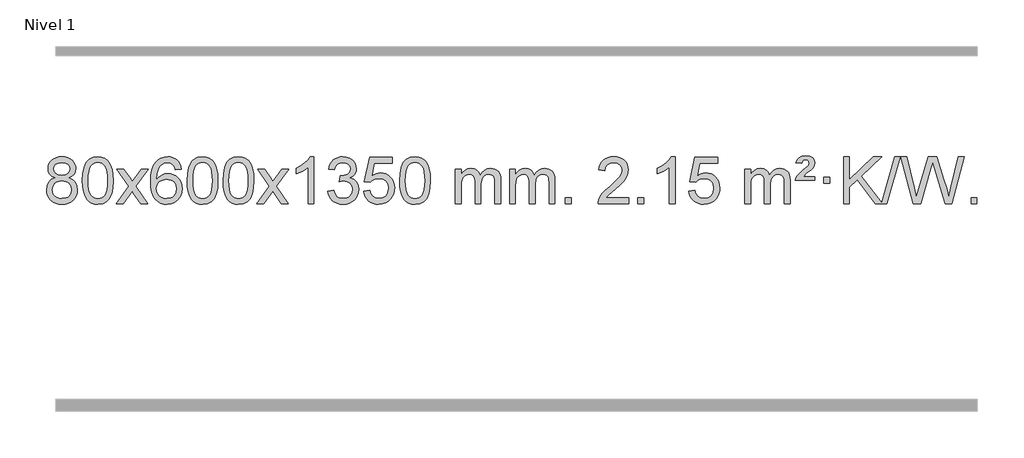
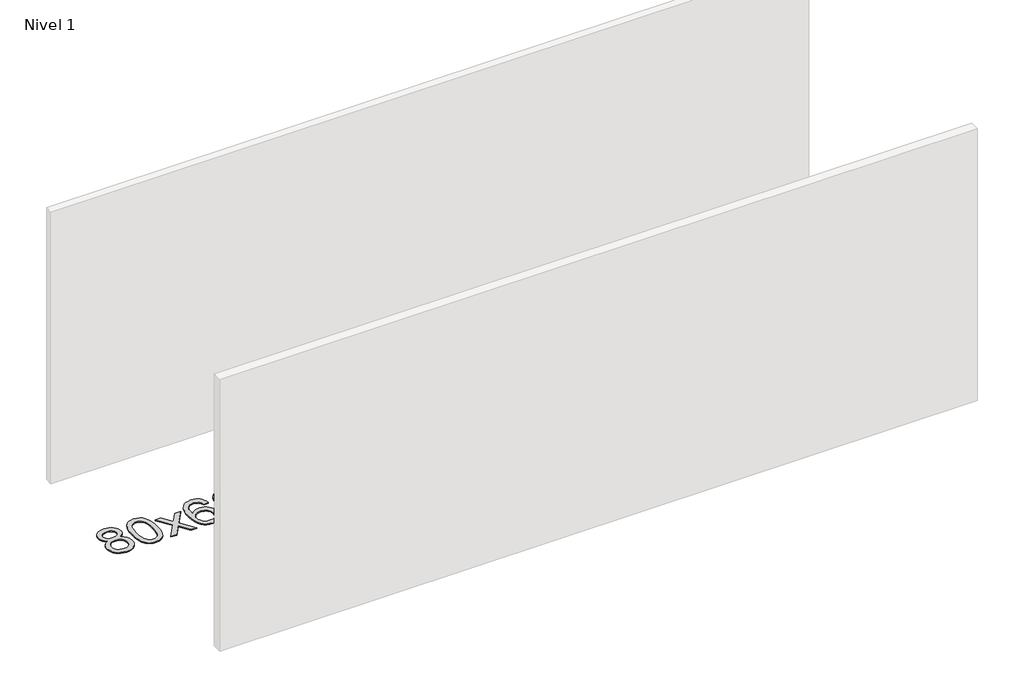
# One storey, part 5 of 8: 1 proxy.
"""IFC4 building model written with IfcOpenShell, lengths in millimetres."""

from ifc_helpers import new_model, si_unit, origin, origin_with_axes, place, context, project, spatial, polyline, outline, extrude, element, save

model = new_model("IFC4")

# Units and contexts
model_context = context("Model", 3, world=origin())
ifc_project = project(units=[si_unit("LENGTHUNIT", "METRE", prefix="MILLI")], contexts=[model_context])

# Site, building, storey
site = spatial("IfcSite", under=ifc_project)
building = spatial("IfcBuilding", under=site)
storey = spatial("IfcBuildingStorey", under=building, Name="Nivel 1", Elevation=0.0)

# Proxy
placement = place(None, origin())
element("IfcBuildingElementProxy", 1, Name="Texto de modelo 1", ObjectType="Texto de modelo 1", at=placement, inside=storey, context=model_context, shape_type="SweptSolid", body=[
    extrude(outline(polyline([(-236.8094438, -6174.2616447), (-263.7016177, -6161.0178929), (-282.573964, -6143.0652515), (-293.7207885, -6120.7716026), (-297.4363966, -6094.5048281), (-295.4130456, -6074.0199324), (-289.3429927, -6055.2395565), (-279.2262378, -6038.1637006), (-265.062781, -6022.7923645), (-247.533204, -6010.088173), (-227.3180883, -6001.0137504), (-204.4174341, -5995.5690969), (-178.8312414, -5993.7542124), (-153.1224213, -5995.6120165), (-130.0500888, -6001.1854287), (-109.614244, -6010.4744491), (-91.8148868, -6023.4790776), (-77.3939126, -6039.1508506), (-67.0932167, -6056.4413044), (-60.9127992, -6075.3504389), (-58.85266, -6095.8782543), (-62.5192172, -6121.2989001), (-73.5188889, -6143.2124043), (-91.9743023, -6161.0546811), (-118.0080848, -6174.2616447), (-87.0937345, -6190.1909351), (-64.5916191, -6213.6495436), (-50.8696207, -6243.5092989), (-46.2956212, -6278.6420295), (-48.5642269, -6303.6947933), (-55.3700438, -6326.6628926), (-66.713072, -6347.5463272), (-82.5933114, -6366.3450971), (-102.1768963, -6381.88198), (-124.6299607, -6392.9797536), (-149.9525047, -6399.6384177), (-178.1445283, -6401.8579724), (-206.3365519, -6399.6292206), (-231.6590959, -6392.9429654), (-254.1121603, -6381.7992066), (-273.6957452, -6366.1979443), (-289.5759846, -6347.26735), (-300.9190128, -6326.135595), (-307.7248297, -6302.8026795), (-309.9934354, -6277.2686033), (-305.2354949, -6240.7747094), (-290.9616735, -6210.7555386), (-267.9077351, -6188.2411605), (-236.8094438, -6174.2616447)]), holes=[polyline([(-247.2082415, -6095.9763561), (-242.7568694, -6117.902123), (-229.402753, -6135.413306), (-207.5382997, -6146.8912243), (-177.5559171, -6150.717197), (-148.2725103, -6146.9157497), (-126.7391508, -6135.5114079), (-113.495399, -6118.5888361), (-109.0808151, -6098.232699), (-113.6425518, -6077.1040098), (-127.327762, -6059.629615), (-149.1554271, -6047.8941794), (-178.1445283, -6043.9823675), (-207.3175705, -6047.8083402), (-229.1084474, -6059.2862585), (-242.683293, -6076.1107284), (-247.2082415, -6095.9763561)]), polyline([(-259.7652803, -6275.5027698), (-257.6683529, -6294.7184726), (-251.3775708, -6313.3210389), (-239.7647625, -6329.5446349), (-221.7017565, -6341.623427), (-200.0702952, -6349.1282197), (-177.7521208, -6351.6298173), (-143.5636208, -6346.3691048), (-129.6699441, -6339.7932141), (-117.909983, -6330.5869672), (-101.870328, -6306.6869002), (-96.5237763, -6277.0723996), (-102.0420062, -6246.9551269), (-118.596696, -6222.5277625), (-130.6754882, -6213.0854579), (-144.838945, -6206.3409547), (-179.4198526, -6200.9453521), (-213.130106, -6206.2673783), (-226.8674329, -6212.919911), (-238.5262264, -6222.2334569), (-254.4555168, -6246.1948375), (-259.7652803, -6275.5027698)])]), origin_with_axes(), (0.0, 0.0, 1.0), 10.0),
    extrude(outline(polyline([(-2.3459855, -6197.9041943), (1.3450971, -6133.5861588), (12.4183452, -6082.2911459), (30.763394, -6043.2343407), (42.621457, -6028.0009605), (56.269879, -6015.6309284), (71.7546453, -6006.0598651), (89.1217412, -5999.2233914), (129.5029215, -5993.7542124), (160.4540601, -5996.991574), (188.167837, -6006.7036586), (211.3444027, -6022.5103217), (228.6839074, -6044.0314184), (241.7805065, -6071.0830078), (252.2283551, -6103.4811488), (259.0709602, -6144.6226186), (261.3518286, -6197.9041943), (257.6975341, -6261.8543477), (246.7346507, -6313.0267333), (228.4999664, -6352.1203266), (216.6694946, -6367.3996922), (203.0302696, -6379.8341036), (187.5271092, -6389.4695462), (170.1048311, -6396.3520052), (129.5029215, -6401.8579724), (101.8381955, -6399.4667394), (77.3127291, -6392.2930405), (55.9265225, -6380.3368757), (37.6795755, -6363.5982449), (20.1683926, -6333.3399508), (7.6604047, -6295.6381776), (0.155612, -6250.4929255), (-2.3459855, -6197.9041943)]), holes=[polyline([(47.8821695, -6197.8060924), (49.3536975, -6241.4706195), (53.7682815, -6276.8148822), (61.1259214, -6303.8388804), (71.4266172, -6322.5426142), (83.8855541, -6335.2682656), (97.7179171, -6344.3580165), (112.9237063, -6349.8118671), (129.5029215, -6351.6298173), (146.0821368, -6349.8057357), (161.2879259, -6344.3334911), (175.1202889, -6335.2130833), (187.5792258, -6322.4445124), (197.8799217, -6303.7101217), (205.2375616, -6276.6922549), (209.6521455, -6241.3909118), (211.1236735, -6197.8060924), (209.7011965, -6155.2973278), (205.4337653, -6120.5753989), (198.3213801, -6093.6403055), (188.3640408, -6074.4920476), (176.1135703, -6061.1440625), (162.1217918, -6051.6097875), (146.3887051, -6045.8892225), (128.9143103, -6043.9823675), (112.4209342, -6045.6623619), (97.4726625, -6050.7023452), (84.0694951, -6059.1023175), (72.2114321, -6070.8622786), (61.5673797, -6091.708925), (53.9644852, -6119.8151094), (49.4027484, -6155.1808319), (47.8821695, -6197.8060924)])]), origin_with_axes(), (0.0, 0.0, 1.0), 10.0),
    extrude(outline(polyline([(286.4659061, -6395.579453), (393.7893469, -6247.2494325), (292.7444255, -6100.4890419), (353.1751746, -6100.4890419), (401.9318017, -6171.122385), (424.6914345, -6204.4770192), (444.4099094, -6177.2047007), (499.9355652, -6100.4890419), (560.3663143, -6100.4890419), (454.2200959, -6247.2494325), (556.4422397, -6395.579453), (496.0114906, -6395.579453), (434.501621, -6306.4048574), (423.2199065, -6290.1199477), (346.8966552, -6395.579453), (286.4659061, -6395.579453)])), origin_with_axes(), (0.0, 0.0, 1.0), 10.0),
    extrude(outline(polyline([(845.2541313, -6100.4890419), (795.0259763, -6106.7675613), (786.9325724, -6081.874213), (775.9942144, -6064.8780648), (753.2100561, -6049.2062918), (725.6679574, -6043.9823675), (702.3197135, -6047.0235253), (680.3448956, -6056.1469988), (661.4725493, -6075.3627017), (646.0582937, -6101.8134171), (635.6472332, -6139.227016), (631.7844723, -6191.3313693), (651.9321429, -6167.8237098), (676.0774645, -6151.2567573), (702.8715365, -6141.434308), (730.9654582, -6138.1601582), (755.0985171, -6140.398107), (777.3676405, -6147.1119534), (797.7728285, -6158.3016975), (816.3140811, -6173.9673391), (831.7222053, -6193.1769106), (842.7280083, -6214.9984443), (849.3314901, -6239.4319401), (851.5326507, -6266.4773982), (847.3878469, -6302.4439945), (834.9534355, -6335.786366), (815.259486, -6364.0642287), (789.3360681, -6384.8372987), (758.3604041, -6397.602804), (723.5097164, -6401.8579724), (693.5671877, -6399.0375437), (666.5247954, -6390.5762579), (642.3825394, -6376.4741147), (621.1404199, -6356.7311143), (603.822375, -6330.5133908), (591.4523429, -6296.9870783), (584.0303236, -6256.1521768), (581.5563172, -6208.0086864), (584.3031694, -6154.0342663), (592.5437261, -6107.9693092), (606.2779873, -6069.8138149), (625.5059529, -6039.5677835), (646.3464679, -6019.5243462), (670.5101836, -6005.2076052), (697.9971, -5996.6175606), (728.8072171, -5993.7542124), (751.9408633, -5995.5261773), (772.8794802, -6000.8420722), (791.6230678, -6009.7018969), (808.1716262, -6022.1056515), (822.0775656, -6037.6364031), (832.8932963, -6055.8772186), (840.6188182, -6076.8280983), (845.2541313, -6100.4890419)]), holes=[polyline([(631.7844723, -6265.6925832), (634.69074, -6287.9494439), (643.4095433, -6309.2007605), (656.9476007, -6327.472233), (674.3116309, -6340.7895612), (695.2686419, -6348.9197533), (719.5856418, -6351.6298173), (752.7318096, -6346.0134855), (766.646946, -6338.9930708), (778.7901175, -6329.1644901), (788.640158, -6316.9262824), (795.6759011, -6302.6769865), (801.3044957, -6268.1451299), (795.7494775, -6234.9989621), (788.8057049, -6221.3781312), (779.0844231, -6209.725469), (766.9044634, -6200.3904634), (752.5846568, -6193.7226022), (717.5255026, -6188.3883133), (684.4283858, -6193.7226022), (656.751397, -6209.725469), (645.8283674, -6221.2248471), (638.0262035, -6234.3858254), (633.3449051, -6249.2084042), (631.7844723, -6265.6925832)])]), origin_with_axes(), (0.0, 0.0, 1.0), 10.0),
    extrude(outline(polyline([(895.4822864, -6197.9041943), (899.1733691, -6133.5861588), (910.2466172, -6082.2911459), (928.591666, -6043.2343407), (940.449729, -6028.0009605), (954.098151, -6015.6309284), (969.5829173, -6006.0598651), (986.9500131, -5999.2233914), (1027.3311935, -5993.7542124), (1058.282332, -5996.991574), (1085.996109, -6006.7036586), (1109.1726747, -6022.5103217), (1126.5121794, -6044.0314184), (1139.6087784, -6071.0830078), (1150.0566271, -6103.4811488), (1156.8992322, -6144.6226186), (1159.1801006, -6197.9041943), (1155.5258061, -6261.8543477), (1144.5629226, -6313.0267333), (1126.3282384, -6352.1203266), (1114.4977666, -6367.3996922), (1100.8585416, -6379.8341036), (1085.3553812, -6389.4695462), (1067.933103, -6396.3520052), (1027.3311935, -6401.8579724), (999.6664674, -6399.4667394), (975.1410011, -6392.2930405), (953.7547945, -6380.3368757), (935.5078475, -6363.5982449), (917.9966645, -6333.3399508), (905.4886767, -6295.6381776), (897.983884, -6250.4929255), (895.4822864, -6197.9041943)]), holes=[polyline([(945.7104415, -6197.8060924), (947.1819695, -6241.4706195), (951.5965534, -6276.8148822), (958.9541933, -6303.8388804), (969.2548892, -6322.5426142), (981.7138261, -6335.2682656), (995.5461891, -6344.3580165), (1010.7519782, -6349.8118671), (1027.3311935, -6351.6298173), (1043.9104087, -6349.8057357), (1059.1161979, -6344.3334911), (1072.9485609, -6335.2130833), (1085.4074978, -6322.4445124), (1095.7081937, -6303.7101217), (1103.0658336, -6276.6922549), (1107.4804175, -6241.3909118), (1108.9519455, -6197.8060924), (1107.5294684, -6155.2973278), (1103.2620373, -6120.5753989), (1096.1496521, -6093.6403055), (1086.1923127, -6074.4920476), (1073.9418423, -6061.1440625), (1059.9500637, -6051.6097875), (1044.2169771, -6045.8892225), (1026.7425823, -6043.9823675), (1010.2492062, -6045.6623619), (995.3009344, -6050.7023452), (981.8977671, -6059.1023175), (970.0397041, -6070.8622786), (959.3956517, -6091.708925), (951.7927571, -6119.8151094), (947.2310204, -6155.1808319), (945.7104415, -6197.8060924)])]), origin_with_axes(), (0.0, 0.0, 1.0), 10.0),
    extrude(outline(polyline([(1203.1297362, -6197.9041943), (1206.8208189, -6133.5861588), (1217.894067, -6082.2911459), (1236.2391158, -6043.2343407), (1248.0971788, -6028.0009605), (1261.7456008, -6015.6309284), (1277.2303671, -6006.0598651), (1294.597463, -5999.2233914), (1334.9786433, -5993.7542124), (1365.9297818, -5996.991574), (1393.6435588, -6006.7036586), (1416.8201245, -6022.5103217), (1434.1596292, -6044.0314184), (1447.2562282, -6071.0830078), (1457.7040769, -6103.4811488), (1464.546682, -6144.6226186), (1466.8275504, -6197.9041943), (1463.1732559, -6261.8543477), (1452.2103725, -6313.0267333), (1433.9756882, -6352.1203266), (1422.1452164, -6367.3996922), (1408.5059914, -6379.8341036), (1393.002831, -6389.4695462), (1375.5805529, -6396.3520052), (1334.9786433, -6401.8579724), (1307.3139173, -6399.4667394), (1282.7884509, -6392.2930405), (1261.4022443, -6380.3368757), (1243.1552973, -6363.5982449), (1225.6441144, -6333.3399508), (1213.1361265, -6295.6381776), (1205.6313338, -6250.4929255), (1203.1297362, -6197.9041943)]), holes=[polyline([(1253.3578913, -6197.8060924), (1254.8294193, -6241.4706195), (1259.2440032, -6276.8148822), (1266.6016432, -6303.8388804), (1276.902339, -6322.5426142), (1289.3612759, -6335.2682656), (1303.1936389, -6344.3580165), (1318.3994281, -6349.8118671), (1334.9786433, -6351.6298173), (1351.5578586, -6349.8057357), (1366.7636477, -6344.3334911), (1380.5960107, -6335.2130833), (1393.0549476, -6322.4445124), (1403.3556435, -6303.7101217), (1410.7132834, -6276.6922549), (1415.1278673, -6241.3909118), (1416.5993953, -6197.8060924), (1415.1769183, -6155.2973278), (1410.9094871, -6120.5753989), (1403.7971019, -6093.6403055), (1393.8397625, -6074.4920476), (1381.5892921, -6061.1440625), (1367.5975136, -6051.6097875), (1351.8644269, -6045.8892225), (1334.3900321, -6043.9823675), (1317.896656, -6045.6623619), (1302.9483843, -6050.7023452), (1289.5452169, -6059.1023175), (1277.6871539, -6070.8622786), (1267.0431015, -6091.708925), (1259.440207, -6119.8151094), (1254.8784702, -6155.1808319), (1253.3578913, -6197.8060924)])]), origin_with_axes(), (0.0, 0.0, 1.0), 10.0),
    extrude(outline(polyline([(1491.9416279, -6395.579453), (1599.2650687, -6247.2494325), (1498.2201473, -6100.4890419), (1558.6508964, -6100.4890419), (1607.4075235, -6171.122385), (1630.1671563, -6204.4770192), (1649.8856312, -6177.2047007), (1705.411287, -6100.4890419), (1765.8420361, -6100.4890419), (1659.6958177, -6247.2494325), (1761.9179615, -6395.579453), (1701.4872124, -6395.579453), (1639.9773428, -6306.4048574), (1628.6956283, -6290.1199477), (1552.372377, -6395.579453), (1491.9416279, -6395.579453)])), origin_with_axes(), (0.0, 0.0, 1.0), 10.0),
    extrude(outline(polyline([(1981.6661399, -6395.579453), (1931.4379848, -6395.579453), (1931.4379848, -6082.4382987), (1910.4687111, -6099.3976587), (1883.8585801, -6116.3324932), (1830.9816747, -6141.6918254), (1830.9816747, -6094.2105225), (1870.4308873, -6072.7507395), (1904.6071247, -6047.219729), (1931.5483494, -6020.0700378), (1949.2925243, -5993.7542124), (1981.6661399, -5993.7542124), (1981.6661399, -6395.579453)])), origin_with_axes(), (0.0, 0.0, 1.0), 10.0),
    extrude(outline(polyline([(2100.9580082, -6288.8446235), (2151.1861633, -6282.5661041), (2162.4310896, -6314.1303793), (2178.8999403, -6335.4430095), (2201.4020556, -6347.5831154), (2230.7467761, -6351.6298173), (2265.1805309, -6346.0625364), (2279.4543523, -6339.1034354), (2291.7661364, -6329.3606939), (2308.7622846, -6304.4428201), (2314.4276673, -6274.2274455), (2308.8113355, -6245.5449126), (2291.9623401, -6222.2825078), (2266.4558551, -6206.8682522), (2234.8670545, -6201.730167), (2199.6484848, -6207.2238715), (2205.2402911, -6156.9957164), (2213.2846441, -6157.5843276), (2243.3773913, -6153.979084), (2270.2818279, -6143.1633534), (2281.3550759, -6134.9841103), (2289.2645388, -6124.8673555), (2294.0102165, -6112.8130888), (2295.5921091, -6098.8213102), (2291.0058469, -6077.1285352), (2277.2470603, -6059.5315131), (2256.2532611, -6047.8696539), (2229.9619612, -6043.9823675), (2203.6216103, -6047.9064421), (2182.0882509, -6059.6786659), (2166.367427, -6079.299039), (2157.4646827, -6106.7675613), (2107.2365276, -6100.4890419), (2113.1900846, -6076.5092672), (2122.0253838, -6055.3867093), (2133.7424253, -6037.1213683), (2148.3412092, -6021.713244), (2165.3618828, -6009.4811677), (2184.3445938, -6000.7439703), (2205.289342, -5995.5016519), (2228.1961276, -5993.7542124), (2259.7726655, -5997.2000404), (2288.7740295, -6007.5375245), (2313.2259194, -6023.8469596), (2331.1540353, -6045.2086408), (2342.153707, -6069.8199463), (2345.8202642, -6095.8782543), (2342.337648, -6120.1584659), (2331.8897993, -6142.1823347), (2314.623871, -6160.9443165), (2290.6870159, -6175.4388671), (2322.1286637, -6188.1430586), (2345.4278567, -6209.77452), (2359.848831, -6239.1560286), (2364.6558224, -6275.1103623), (2362.2523267, -6300.5923218), (2355.0418395, -6324.0631931), (2343.024361, -6345.5229762), (2326.1998911, -6364.971671), (2305.7027326, -6381.1094278), (2282.6671884, -6392.636397), (2257.0932583, -6399.5525785), (2228.9809425, -6401.8579724), (2203.5725594, -6399.8898037), (2180.4205192, -6393.9852977), (2159.5248218, -6384.1444543), (2140.8854674, -6370.3672736), (2125.256614, -6353.4630959), (2113.3924196, -6334.2412617), (2105.2928844, -6312.7017708), (2100.9580082, -6288.8446235)])), origin_with_axes(), (0.0, 0.0, 1.0), 10.0),
    extrude(outline(polyline([(2408.605458, -6288.8446235), (2458.8336131, -6282.5661041), (2468.0551885, -6312.7201649), (2484.1438944, -6334.3148381), (2507.0261545, -6347.3010725), (2536.6283924, -6351.6298173), (2555.7582561, -6350.1245668), (2572.631777, -6345.6088153), (2587.2489549, -6338.0825628), (2599.6097899, -6327.5458094), (2609.4383706, -6314.519721), (2616.4587853, -6299.5254641), (2622.0751171, -6263.6324441), (2616.8144046, -6229.8363514), (2610.2385139, -6215.9181493), (2601.032267, -6203.9865099), (2589.165007, -6194.4154467), (2574.606077, -6187.5789729), (2537.4132073, -6182.1097939), (2513.0471565, -6184.2925604), (2493.3164188, -6190.8408599), (2477.5588067, -6200.8717757), (2465.1121325, -6213.5023908), (2414.8839774, -6207.2238715), (2458.8336131, -6000.0327318), (2653.467714, -6000.0327318), (2653.467714, -6050.2608869), (2499.4477854, -6050.2608869), (2477.9634769, -6160.919791), (2495.6892577, -6148.2155994), (2513.8442341, -6139.1411769), (2532.4284063, -6133.6965234), (2551.441774, -6131.8816388), (2575.902861, -6134.1318504), (2598.3712539, -6140.882485), (2618.8469526, -6152.1335427), (2637.3299572, -6167.8850234), (2652.6307825, -6187.1743027), (2663.5599434, -6209.038756), (2670.11744, -6233.4783832), (2672.3032722, -6260.4931844), (2670.3351035, -6286.5147042), (2664.4305975, -6310.7213394), (2654.5897541, -6333.1130902), (2640.8125734, -6353.6899565), (2619.9414015, -6374.7634634), (2595.5876135, -6389.8159684), (2567.7512092, -6398.8474714), (2536.4321886, -6401.8579724), (2510.5118364, -6399.9235262), (2487.0992131, -6394.1201877), (2466.1943187, -6384.447957), (2447.7971533, -6370.9068338), (2432.4901966, -6354.1712688), (2420.8559285, -6334.915712), (2412.894349, -6313.1401636), (2408.605458, -6288.8446235)])), origin_with_axes(), (0.0, 0.0, 1.0), 10.0),
    extrude(outline(polyline([(2716.2529079, -6197.9041943), (2719.9439906, -6133.5861588), (2731.0172386, -6082.2911459), (2749.3622874, -6043.2343407), (2761.2203504, -6028.0009605), (2774.8687724, -6015.6309284), (2790.3535388, -6006.0598651), (2807.7206346, -5999.2233914), (2848.1018149, -5993.7542124), (2879.0529535, -5996.991574), (2906.7667304, -6006.7036586), (2929.9432961, -6022.5103217), (2947.2828008, -6044.0314184), (2960.3793999, -6071.0830078), (2970.8272485, -6103.4811488), (2977.6698537, -6144.6226186), (2979.950722, -6197.9041943), (2976.2964275, -6261.8543477), (2965.3335441, -6313.0267333), (2947.0988599, -6352.1203266), (2935.268388, -6367.3996922), (2921.6291631, -6379.8341036), (2906.1260026, -6389.4695462), (2888.7037245, -6396.3520052), (2848.1018149, -6401.8579724), (2820.4370889, -6399.4667394), (2795.9116226, -6392.2930405), (2774.5254159, -6380.3368757), (2756.278469, -6363.5982449), (2738.767286, -6333.3399508), (2726.2592981, -6295.6381776), (2718.7545054, -6250.4929255), (2716.2529079, -6197.9041943)]), holes=[polyline([(2766.481063, -6197.8060924), (2767.9525909, -6241.4706195), (2772.3671749, -6276.8148822), (2779.7248148, -6303.8388804), (2790.0255106, -6322.5426142), (2802.4844475, -6335.2682656), (2816.3168106, -6344.3580165), (2831.5225997, -6349.8118671), (2848.1018149, -6351.6298173), (2864.6810302, -6349.8057357), (2879.8868193, -6344.3334911), (2893.7191824, -6335.2130833), (2906.1781193, -6322.4445124), (2916.4788151, -6303.7101217), (2923.836455, -6276.6922549), (2928.251039, -6241.3909118), (2929.7225669, -6197.8060924), (2928.3000899, -6155.2973278), (2924.0326588, -6120.5753989), (2916.9202735, -6093.6403055), (2906.9629342, -6074.4920476), (2894.7124637, -6061.1440625), (2880.7206852, -6051.6097875), (2864.9875985, -6045.8892225), (2847.5132038, -6043.9823675), (2831.0198276, -6045.6623619), (2816.0715559, -6050.7023452), (2802.6683885, -6059.1023175), (2790.8103256, -6070.8622786), (2780.1662732, -6091.708925), (2772.5633786, -6119.8151094), (2768.0016419, -6155.1808319), (2766.481063, -6197.8060924)])]), origin_with_axes(), (0.0, 0.0, 1.0), 10.0),
    extrude(outline(polyline([(3193.4203811, -6395.579453), (3193.4203811, -6100.4890419), (3243.6485362, -6100.4890419), (3243.6485362, -6149.0494653), (3258.7562234, -6126.7435537), (3278.1803928, -6109.2691589), (3301.2588566, -6097.9751816), (3327.3294273, -6094.2105225), (3355.2639335, -6098.048758), (3377.6556843, -6109.5634645), (3394.3820523, -6127.9943524), (3405.3204103, -6152.5811324), (3423.6286709, -6127.0439906), (3444.5121055, -6108.803175), (3467.9707141, -6097.8586857), (3494.0044966, -6094.2105225), (3514.1123133, -6095.7280358), (3531.7614521, -6100.2805755), (3546.9519128, -6107.8681416), (3559.6836955, -6118.4907342), (3569.7483337, -6132.2709806), (3576.9373611, -6149.3315082), (3581.2507775, -6169.6723168), (3582.6885829, -6193.2934066), (3582.6885829, -6395.579453), (3532.4604278, -6395.579453), (3532.4604278, -6214.875817), (3531.2954682, -6189.8230531), (3527.8005892, -6172.9372695), (3521.2522897, -6161.3735121), (3510.9270684, -6152.2868268), (3497.6465284, -6146.4007149), (3482.2322728, -6144.4386776), (3455.0212679, -6149.4663982), (3432.8379835, -6164.54956), (3424.2326105, -6176.1194488), (3418.0859155, -6190.7182326), (3413.1685595, -6229.0024856), (3413.1685595, -6395.579453), (3362.9404045, -6395.579453), (3362.9404045, -6209.2840106), (3360.0341367, -6180.8835206), (3351.3153334, -6160.6254854), (3335.9746542, -6148.4853796), (3313.2027587, -6144.4386776), (3293.8521658, -6147.1364789), (3276.0221517, -6155.2298828), (3261.3068719, -6168.5226856), (3251.3004817, -6186.8186835), (3245.5615225, -6212.2025411), (3243.6485362, -6246.7589232), (3243.6485362, -6395.579453), (3193.4203811, -6395.579453)])), origin_with_axes(), (0.0, 0.0, 1.0), 10.0),
    extrude(outline(polyline([(3658.0308155, -6395.579453), (3658.0308155, -6100.4890419), (3708.2589706, -6100.4890419), (3708.2589706, -6149.0494653), (3723.3666579, -6126.7435537), (3742.7908272, -6109.2691589), (3765.869291, -6097.9751816), (3791.9398618, -6094.2105225), (3819.8743679, -6098.048758), (3842.2661187, -6109.5634645), (3858.9924868, -6127.9943524), (3869.9308448, -6152.5811324), (3888.2391054, -6127.0439906), (3909.12254, -6108.803175), (3932.5811485, -6097.8586857), (3958.6149311, -6094.2105225), (3978.7227478, -6095.7280358), (3996.3718865, -6100.2805755), (4011.5623472, -6107.8681416), (4024.2941299, -6118.4907342), (4034.3587682, -6132.2709806), (4041.5477955, -6149.3315082), (4045.8612119, -6169.6723168), (4047.2990174, -6193.2934066), (4047.2990174, -6395.579453), (3997.0708623, -6395.579453), (3997.0708623, -6214.875817), (3995.9059026, -6189.8230531), (3992.4110237, -6172.9372695), (3985.8627242, -6161.3735121), (3975.5375028, -6152.2868268), (3962.2569628, -6146.4007149), (3946.8427072, -6144.4386776), (3919.6317023, -6149.4663982), (3897.448418, -6164.54956), (3888.843045, -6176.1194488), (3882.69635, -6190.7182326), (3877.778994, -6229.0024856), (3877.778994, -6395.579453), (3827.5508389, -6395.579453), (3827.5508389, -6209.2840106), (3824.6445711, -6180.8835206), (3815.9257679, -6160.6254854), (3800.5850887, -6148.4853796), (3777.8131932, -6144.4386776), (3758.4626002, -6147.1364789), (3740.6325862, -6155.2298828), (3725.9173064, -6168.5226856), (3715.9109161, -6186.8186835), (3710.171957, -6212.2025411), (3708.2589706, -6246.7589232), (3708.2589706, -6395.579453), (3658.0308155, -6395.579453)])), origin_with_axes(), (0.0, 0.0, 1.0), 10.0),
    extrude(outline(polyline([(4135.1982887, -6395.579453), (4135.1982887, -6345.3512979), (4185.4264438, -6345.3512979), (4185.4264438, -6395.579453), (4135.1982887, -6395.579453)])), origin_with_axes(), (0.0, 0.0, 1.0), 10.0),
    extrude(outline(polyline([(4681.4294752, -6345.3512979), (4681.4294752, -6395.579453), (4417.731661, -6395.579453), (4418.835307, -6377.8965918), (4423.1272636, -6360.9494945), (4435.5126241, -6333.8856424), (4453.6369438, -6307.6311307), (4479.8546673, -6280.1503456), (4516.5202395, -6249.4076736), (4570.7215201, -6201.2641831), (4603.2422885, -6165.7267824), (4619.5026727, -6136.884834), (4624.9228007, -6108.8277005), (4619.809241, -6083.6768347), (4604.4685618, -6062.7688747), (4580.8873259, -6048.6789943), (4551.0520961, -6043.9823675), (4519.7208128, -6048.5686297), (4495.3792875, -6062.3274163), (4479.6707263, -6084.1796068), (4474.2383355, -6113.0460807), (4424.0101804, -6106.7675613), (4428.3297282, -6080.838012), (4436.1870745, -6058.1826125), (4447.5822193, -6038.8013627), (4462.5151626, -6022.6942627), (4480.6425479, -6010.0329907), (4501.6210187, -6000.989225), (4525.4505749, -5995.5629655), (4552.1312166, -5993.7542124), (4579.0509816, -5995.7653006), (4603.0092965, -6001.7985654), (4624.0061614, -6011.8540066), (4642.0415762, -6025.9316242), (4656.5269298, -6042.9890861), (4666.8736109, -6061.9840598), (4673.0816196, -6082.9165453), (4675.1509558, -6105.7865427), (4672.9191384, -6129.8092369), (4666.223686, -6153.4149983), (4654.3410976, -6177.4254299), (4636.5478718, -6202.6621347), (4608.1841699, -6232.7916701), (4564.5901535, -6271.4805933), (4506.8081548, -6319.795762), (4484.1466239, -6345.3512979), (4681.4294752, -6345.3512979)])), origin_with_axes(), (0.0, 0.0, 1.0), 10.0),
    extrude(outline(polyline([(4756.7717078, -6395.579453), (4756.7717078, -6345.3512979), (4806.9998629, -6345.3512979), (4806.9998629, -6395.579453), (4756.7717078, -6395.579453)])), origin_with_axes(), (0.0, 0.0, 1.0), 10.0),
    extrude(outline(polyline([(5076.9761964, -6395.579453), (5026.7480413, -6395.579453), (5026.7480413, -6082.4382987), (5005.7787676, -6099.3976587), (4979.1686366, -6116.3324932), (4926.2917312, -6141.6918254), (4926.2917312, -6094.2105225), (4965.7409438, -6072.7507395), (4999.9171811, -6047.219729), (5026.8584059, -6020.0700378), (5044.6025808, -5993.7542124), (5076.9761964, -5993.7542124), (5076.9761964, -6395.579453)])), origin_with_axes(), (0.0, 0.0, 1.0), 10.0),
    extrude(outline(polyline([(5196.2680647, -6288.8446235), (5246.4962198, -6282.5661041), (5255.7177951, -6312.7201649), (5271.806501, -6334.3148381), (5294.6887611, -6347.3010725), (5324.290999, -6351.6298173), (5343.4208628, -6350.1245668), (5360.2943836, -6345.6088153), (5374.9115616, -6338.0825628), (5387.2723966, -6327.5458094), (5397.1009772, -6314.519721), (5404.121392, -6299.5254641), (5409.7377238, -6263.6324441), (5404.4770112, -6229.8363514), (5397.9011206, -6215.9181493), (5388.6948736, -6203.9865099), (5376.8276136, -6194.4154467), (5362.2686837, -6187.5789729), (5325.0758139, -6182.1097939), (5300.7097631, -6184.2925604), (5280.9790255, -6190.8408599), (5265.2214133, -6200.8717757), (5252.7747392, -6213.5023908), (5202.5465841, -6207.2238715), (5246.4962198, -6000.0327318), (5441.1303207, -6000.0327318), (5441.1303207, -6050.2608869), (5287.110392, -6050.2608869), (5265.6260835, -6160.919791), (5283.3518643, -6148.2155994), (5301.5068408, -6139.1411769), (5320.0910129, -6133.6965234), (5339.1043807, -6131.8816388), (5363.5654677, -6134.1318504), (5386.0338605, -6140.882485), (5406.5095593, -6152.1335427), (5424.9925638, -6167.8850234), (5440.2933891, -6187.1743027), (5451.2225501, -6209.038756), (5457.7800467, -6233.4783832), (5459.9658788, -6260.4931844), (5457.9977102, -6286.5147042), (5452.0932041, -6310.7213394), (5442.2523608, -6333.1130902), (5428.4751801, -6353.6899565), (5407.6040082, -6374.7634634), (5383.2502201, -6389.8159684), (5355.4138158, -6398.8474714), (5324.0947953, -6401.8579724), (5298.174443, -6399.9235262), (5274.7618197, -6394.1201877), (5253.8569254, -6384.447957), (5235.4597599, -6370.9068338), (5220.1528032, -6354.1712688), (5208.5185351, -6334.915712), (5200.5569556, -6313.1401636), (5196.2680647, -6288.8446235)])), origin_with_axes(), (0.0, 0.0, 1.0), 10.0),
    extrude(outline(polyline([(5673.4355379, -6395.579453), (5673.4355379, -6100.4890419), (5723.663693, -6100.4890419), (5723.663693, -6149.0494653), (5738.7713803, -6126.7435537), (5758.1955496, -6109.2691589), (5781.2740134, -6097.9751816), (5807.3445842, -6094.2105225), (5835.2790903, -6098.048758), (5857.6708411, -6109.5634645), (5874.3972091, -6127.9943524), (5885.3355671, -6152.5811324), (5903.6438278, -6127.0439906), (5924.5272623, -6108.803175), (5947.9858709, -6097.8586857), (5974.0196534, -6094.2105225), (5994.1274702, -6095.7280358), (6011.7766089, -6100.2805755), (6026.9670696, -6107.8681416), (6039.6988523, -6118.4907342), (6049.7634906, -6132.2709806), (6056.9525179, -6149.3315082), (6061.2659343, -6169.6723168), (6062.7037397, -6193.2934066), (6062.7037397, -6395.579453), (6012.4755847, -6395.579453), (6012.4755847, -6214.875817), (6011.310625, -6189.8230531), (6007.8157461, -6172.9372695), (6001.2674465, -6161.3735121), (5990.9422252, -6152.2868268), (5977.6616852, -6146.4007149), (5962.2474296, -6144.4386776), (5935.0364247, -6149.4663982), (5912.8531404, -6164.54956), (5904.2477674, -6176.1194488), (5898.1010724, -6190.7182326), (5893.1837164, -6229.0024856), (5893.1837164, -6395.579453), (5842.9555613, -6395.579453), (5842.9555613, -6209.2840106), (5840.0492935, -6180.8835206), (5831.3304902, -6160.6254854), (5815.989811, -6148.4853796), (5793.2179155, -6144.4386776), (5773.8673226, -6147.1364789), (5756.0373086, -6155.2298828), (5741.3220287, -6168.5226856), (5731.3156385, -6186.8186835), (5725.5766794, -6212.2025411), (5723.663693, -6246.7589232), (5723.663693, -6395.579453), (5673.4355379, -6395.579453)])), origin_with_axes(), (0.0, 0.0, 1.0), 10.0),
    extrude(outline(polyline([(6106.6533754, -6194.6668327), (6110.4793482, -6178.8479069), (6118.8180067, -6162.9799302), (6140.3268407, -6137.8413272), (6172.2835234, -6110.1030247), (6216.4293628, -6072.726214), (6223.5662735, -6061.1992448), (6225.9452437, -6049.3779701), (6224.0567828, -6037.2869152), (6218.3914001, -6027.5012541), (6209.022672, -6021.026531), (6196.0241748, -6018.8682899), (6183.5897634, -6020.4869707), (6174.73607, -6025.343013), (6168.3103978, -6034.8098431), (6163.1600499, -6050.2608869), (6112.9318948, -6043.9823675), (6123.7721509, -6018.7701881), (6140.4004171, -6001.2099542), (6164.165594, -5990.9092583), (6196.4165822, -5987.475693), (6232.1992376, -5991.6082341), (6256.9454332, -6004.0058573), (6271.3664074, -6022.3386434), (6276.1733988, -6044.2766731), (6272.0776459, -6067.1834586), (6259.7903873, -6088.8149199), (6239.262572, -6108.6314968), (6202.7932035, -6136.6886303), (6177.1886166, -6163.2742358), (6276.1733988, -6163.2742358), (6276.1733988, -6194.6668327), (6106.6533754, -6194.6668327)])), origin_with_axes(), (0.0, 0.0, 1.0), 10.0),
    extrude(outline(polyline([(6351.5156314, -6219.7809102), (6351.5156314, -6169.5527552), (6401.7437865, -6169.5527552), (6401.7437865, -6219.7809102), (6351.5156314, -6219.7809102)])), origin_with_axes(), (0.0, 0.0, 1.0), 10.0),
    extrude(outline(polyline([(6792.3854144, -6395.579453), (6638.954097, -6192.9009991), (6571.2638099, -6257.4520265), (6571.2638099, -6395.579453), (6521.0356548, -6395.579453), (6521.0356548, -5993.7542124), (6571.2638099, -5993.7542124), (6571.2638099, -6190.4484525), (6777.2777272, -5993.7542124), (6847.5186628, -5993.7542124), (6674.5650741, -6158.9577537), (6849.218684, -6389.5349332), (6960.5320117, -5993.7542124), (7005.8550735, -5993.7542124), (6892.8417246, -6395.579453), (6853.7971822, -6395.579453), (6847.5186628, -6395.579453), (6792.3854144, -6395.579453)])), origin_with_axes(), (0.0, 0.0, 1.0), 10.0),
    extrude(outline(polyline([(7120.3399504, -6395.579453), (7010.7601668, -5993.7542124), (7062.5579517, -5993.7542124), (7126.1279605, -6257.844434), (7145.7483335, -6339.3670841), (7166.7421327, -6267.2622131), (7246.4008474, -5993.7542124), (7321.056367, -5993.7542124), (7378.9364675, -6192.0180823), (7403.731714, -6265.5944814), (7422.0031864, -6339.3670841), (7441.0349483, -6260.1988788), (7505.1935683, -5993.7542124), (7556.9913532, -5993.7542124), (7447.3134677, -6395.579453), (7393.6517474, -6395.579453), (7297.3157155, -6085.5775584), (7283.87576, -6042.3146358), (7268.7680727, -6094.4067263), (7180.9669032, -6395.579453), (7120.3399504, -6395.579453)])), origin_with_axes(), (0.0, 0.0, 1.0), 10.0),
    extrude(outline(polyline([(7613.4980277, -6395.579453), (7613.4980277, -6345.3512979), (7663.7261827, -6345.3512979), (7663.7261827, -6395.579453), (7613.4980277, -6395.579453)])), origin_with_axes(), (0.0, 0.0, 1.0), 10.0),
])

save(model, "model.ifc")
